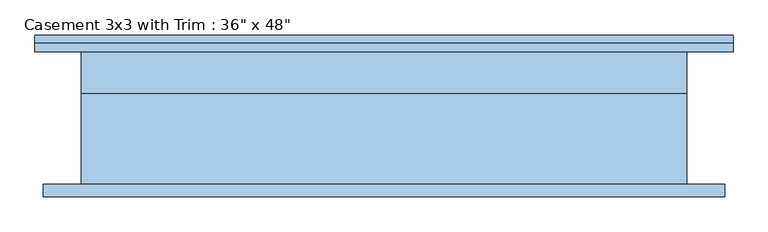
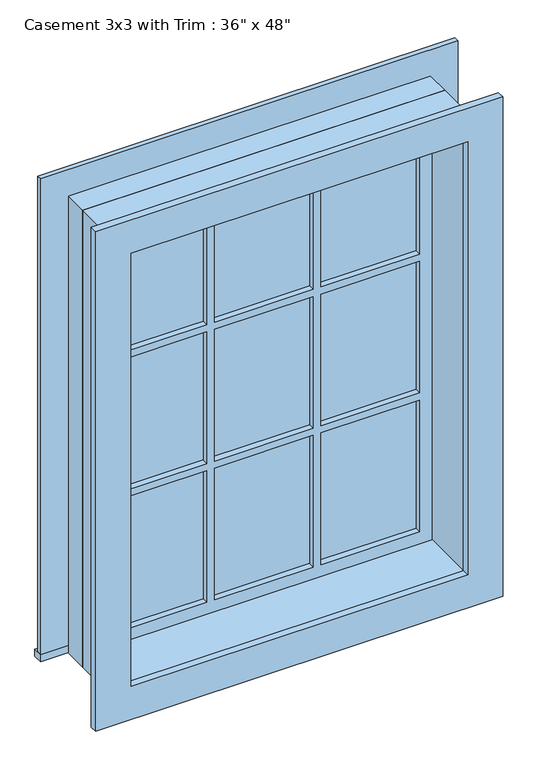
"""IFC4 building model written with IfcOpenShell, lengths in millimetres: window geometry."""

from ifc_helpers import new_model, si_unit, frame, origin, place, context, project, spatial, polyline, outline, extrude, source, transform, mapped, element, save


def window_ddc5d35f(model_context):
    return source(origin(), model_context, "Body", "SweptSolid", [
        extrude(outline(polyline([(-527.05, 125.4), (527.05, 125.4), (527.05, 100.0), (-527.05, 100.0), (-527.05, 125.4)])), frame((0.0, 0.0, 914.4), z_axis=(0.0, 0.0, 1.0), x_axis=(1.0, 0.0, 0.0)), (0.0, 0.0, 1.0), 19.05),
        extrude(outline(polyline([(2114.55, -438.15), (2114.55, 438.15), (933.45, 438.15), (933.45, 527.05), (2203.45, 527.05), (2203.45, -527.05), (933.45, -527.05), (933.45, -438.15), (2114.55, -438.15)])), frame((0.0, 100.0, 0.0), z_axis=(0.0, 1.0, 0.0), x_axis=(0.0, 0.0, 1.0)), (0.0, 0.0, 1.0), 12.7),
        extrude(outline(polyline([(143.9333333, 65.075), (393.7, 65.075), (393.7, 52.375), (143.9333333, 52.375), (143.9333333, 65.075)])), frame((0.0, 0.0, 1718.7333333), z_axis=(0.0, 0.0, 1.0), x_axis=(1.0, 0.0, 0.0)), (0.0, 0.0, 1.0), 351.3666667),
        extrude(outline(polyline([(-124.8833333, 65.075), (124.8833333, 65.075), (124.8833333, 52.375), (-124.8833333, 52.375), (-124.8833333, 65.075)])), frame((0.0, 0.0, 1718.7333333), z_axis=(0.0, 0.0, 1.0), x_axis=(1.0, 0.0, 0.0)), (0.0, 0.0, 1.0), 351.3666667),
        extrude(outline(polyline([(-393.7, 65.075), (-143.9333333, 65.075), (-143.9333333, 52.375), (-393.7, 52.375), (-393.7, 65.075)])), frame((0.0, 0.0, 1718.7333333), z_axis=(0.0, 0.0, 1.0), x_axis=(1.0, 0.0, 0.0)), (0.0, 0.0, 1.0), 351.3666667),
        extrude(outline(polyline([(-393.7, 65.075), (-143.9333333, 65.075), (-143.9333333, 52.375), (-393.7, 52.375), (-393.7, 65.075)])), frame((0.0, 0.0, 1348.3166667), z_axis=(0.0, 0.0, 1.0), x_axis=(1.0, 0.0, 0.0)), (0.0, 0.0, 1.0), 351.3666667),
        extrude(outline(polyline([(-124.8833333, 65.075), (124.8833333, 65.075), (124.8833333, 52.375), (-124.8833333, 52.375), (-124.8833333, 65.075)])), frame((0.0, 0.0, 1348.3166667), z_axis=(0.0, 0.0, 1.0), x_axis=(1.0, 0.0, 0.0)), (0.0, 0.0, 1.0), 351.3666667),
        extrude(outline(polyline([(143.9333333, 65.075), (393.7, 65.075), (393.7, 52.375), (143.9333333, 52.375), (143.9333333, 65.075)])), frame((0.0, 0.0, 1348.3166667), z_axis=(0.0, 0.0, 1.0), x_axis=(1.0, 0.0, 0.0)), (0.0, 0.0, 1.0), 351.3666667),
        extrude(outline(polyline([(143.9333333, 65.075), (393.7, 65.075), (393.7, 52.375), (143.9333333, 52.375), (143.9333333, 65.075)])), frame((0.0, 0.0, 977.9), z_axis=(0.0, 0.0, 1.0), x_axis=(1.0, 0.0, 0.0)), (0.0, 0.0, 1.0), 351.3666667),
        extrude(outline(polyline([(-124.8833333, 65.075), (124.8833333, 65.075), (124.8833333, 52.375), (-124.8833333, 52.375), (-124.8833333, 65.075)])), frame((0.0, 0.0, 977.9), z_axis=(0.0, 0.0, 1.0), x_axis=(1.0, 0.0, 0.0)), (0.0, 0.0, 1.0), 351.3666667),
        extrude(outline(polyline([(-393.7, 65.075), (-143.9333333, 65.075), (-143.9333333, 52.375), (-393.7, 52.375), (-393.7, 65.075)])), frame((0.0, 0.0, 977.9), z_axis=(0.0, 0.0, 1.0), x_axis=(1.0, 0.0, 0.0)), (0.0, 0.0, 1.0), 351.3666667),
        extrude(outline(polyline([(2190.75, 514.35), (2190.75, -514.35), (857.25, -514.35), (857.25, 514.35), (2190.75, 514.35)]), holes=[polyline([(2101.85, 425.45), (946.15, 425.45), (946.15, -425.45), (2101.85, -425.45), (2101.85, 425.45)])]), frame((0.0, -119.05, 0.0), z_axis=(0.0, 1.0, 0.0), x_axis=(0.0, 0.0, 1.0)), (0.0, 0.0, 1.0), 19.05),
        extrude(outline(polyline([(2114.55, -438.15), (933.45, -438.15), (933.45, 438.15), (2114.55, 438.15), (2114.55, -438.15)]), holes=[polyline([(2070.1, -143.9333333), (1718.7333333, -143.9333333), (1718.7333333, -393.7), (2070.1, -393.7), (2070.1, -143.9333333)]), polyline([(1699.6833333, -143.9333333), (1348.3166667, -143.9333333), (1348.3166667, -393.7), (1699.6833333, -393.7), (1699.6833333, -143.9333333)]), polyline([(1329.2666667, -143.9333333), (977.9, -143.9333333), (977.9, -393.7), (1329.2666667, -393.7), (1329.2666667, -143.9333333)]), polyline([(2070.1, 124.8833333), (1718.7333333, 124.8833333), (1718.7333333, -124.8833333), (2070.1, -124.8833333), (2070.1, 124.8833333)]), polyline([(1699.6833333, 124.8833333), (1348.3166667, 124.8833333), (1348.3166667, -124.8833333), (1699.6833333, -124.8833333), (1699.6833333, 124.8833333)]), polyline([(1329.2666667, 124.8833333), (977.9, 124.8833333), (977.9, -124.8833333), (1329.2666667, -124.8833333), (1329.2666667, 124.8833333)]), polyline([(2070.1, 393.7), (1718.7333333, 393.7), (1718.7333333, 143.9333333), (2070.1, 143.9333333), (2070.1, 393.7)]), polyline([(1699.6833333, 393.7), (1348.3166667, 393.7), (1348.3166667, 143.9333333), (1699.6833333, 143.9333333), (1699.6833333, 393.7)]), polyline([(1329.2666667, 393.7), (977.9, 393.7), (977.9, 143.9333333), (1329.2666667, 143.9333333), (1329.2666667, 393.7)])]), frame((0.0, 36.5, 0.0), z_axis=(0.0, 1.0, 0.0), x_axis=(0.0, 0.0, 1.0)), (0.0, 0.0, 1.0), 44.45),
        extrude(outline(polyline([(2133.6, -457.2), (914.4, -457.2), (914.4, 457.2), (2133.6, 457.2), (2133.6, -457.2)]), holes=[polyline([(2101.85, -425.45), (2101.85, 425.45), (946.15, 425.45), (946.15, -425.45), (2101.85, -425.45)])]), frame((0.0, -100.0, 0.0), z_axis=(0.0, 1.0, 0.0), x_axis=(0.0, 0.0, 1.0)), (0.0, 0.0, 1.0), 136.5),
        extrude(outline(polyline([(2133.6, 457.2), (2133.6, -457.2), (914.4, -457.2), (914.4, 457.2), (2133.6, 457.2)]), holes=[polyline([(2114.55, 438.15), (933.45, 438.15), (933.45, -438.15), (2114.55, -438.15), (2114.55, 438.15)])]), frame((0.0, 36.5, 0.0), z_axis=(0.0, 1.0, 0.0), x_axis=(0.0, 0.0, 1.0)), (0.0, 0.0, 1.0), 63.5),
    ])


if __name__ == "__main__":
    model = new_model("IFC4")
    model_context = context("Model", 3, world=origin())
    ifc_project = project(units=[si_unit("LENGTHUNIT", "METRE", prefix="MILLI")], contexts=[model_context])
    site = spatial("IfcSite", under=ifc_project)
    building = spatial("IfcBuilding", under=site)
    placement = place(None, origin())
    window_shape = window_ddc5d35f(model_context)
    element("IfcWindow", 1, ObjectType="Casement 3x3 with Trim : 36\" x 48\"", at=placement, inside=building, context=model_context, shape_type="MappedRepresentation", body=[
        mapped(window_shape, transform((0.0, 0.0, 0.0), x_axis=(1.0, 0.0, 0.0), y_axis=(0.0, 1.0, 0.0), z_axis=(0.0, 0.0, 1.0))),
    ])
    save(model, "model.ifc")
